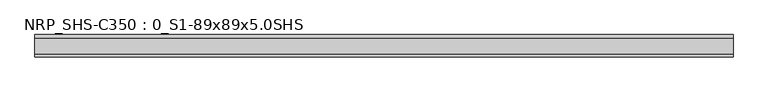
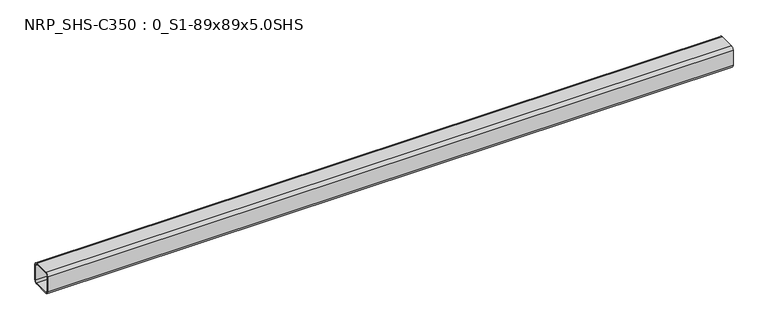
"""IFC4 building model written with IfcOpenShell, lengths in millimetres: beam geometry, NRP_SHS-C350 : 0_S1-89x89x5.0SHS."""

from ifc_helpers import new_model, si_unit, point, frame, frame_2d, origin, place, context, project, spatial, polyline, circle_curve, trimmed, segment, composite_curve, outline, extrude, source, transform, mapped, element, save


def nrp_shs_c350_0_s1_89x89x5_0shs_ee923856(model_context):
    return source(origin(), model_context, "Body", "SweptSolid", [
        extrude(outline(composite_curve([segment(polyline([(44.5, 32.0), (44.5, -32.0)]), True, "CONTINUOUS"), segment(trimmed(circle_curve(frame_2d((32.0, -32.0)), 12.5), [point((44.5, -32.0))], [point((32.0, -44.5))], False, "CARTESIAN"), True, "CONTINUOUS"), segment(polyline([(32.0, -44.5), (-32.0, -44.5)]), True, "CONTINUOUS"), segment(trimmed(circle_curve(frame_2d((-32.0, -32.0)), 12.5), [point((-32.0, -44.5))], [point((-44.5, -32.0))], False, "CARTESIAN"), True, "CONTINUOUS"), segment(polyline([(-44.5, -32.0), (-44.5, 32.0)]), True, "CONTINUOUS"), segment(trimmed(circle_curve(frame_2d((-32.0, 32.0)), 12.5), [point((-44.5, 32.0))], [point((-32.0, 44.5))], False, "CARTESIAN"), True, "CONTINUOUS"), segment(polyline([(-32.0, 44.5), (32.0, 44.5)]), True, "CONTINUOUS"), segment(trimmed(circle_curve(frame_2d((32.0, 32.0)), 12.5), [point((32.0, 44.5))], [point((44.5, 32.0))], False, "CARTESIAN"), True, "CONTINUOUS")], self_intersect=False), holes=[composite_curve([segment(trimmed(circle_curve(frame_2d((-32.0, 32.0)), 7.5), [point((-32.0, 39.5))], [point((-39.5, 32.0))], True, "CARTESIAN"), True, "CONTINUOUS"), segment(polyline([(-39.5, 32.0), (-39.5, -32.0)]), True, "CONTINUOUS"), segment(trimmed(circle_curve(frame_2d((-32.0, -32.0)), 7.5), [point((-39.5, -32.0))], [point((-32.0, -39.5))], True, "CARTESIAN"), True, "CONTINUOUS"), segment(polyline([(-32.0, -39.5), (32.0, -39.5)]), True, "CONTINUOUS"), segment(trimmed(circle_curve(frame_2d((32.0, -32.0)), 7.5), [point((32.0, -39.5))], [point((39.5, -32.0))], True, "CARTESIAN"), True, "CONTINUOUS"), segment(polyline([(39.5, -32.0), (39.5, 32.0)]), True, "CONTINUOUS"), segment(trimmed(circle_curve(frame_2d((32.0, 32.0)), 7.5), [point((39.5, 32.0))], [point((32.0, 39.5))], True, "CARTESIAN"), True, "CONTINUOUS"), segment(polyline([(32.0, 39.5), (-32.0, 39.5)]), True, "CONTINUOUS")], self_intersect=False)]), frame((-1379.5, 0.0, 0.0), z_axis=(1.0, 0.0, 0.0), x_axis=(0.0, 1.0, 0.0)), (0.0, 0.0, 1.0), 2774.0),
    ])


if __name__ == "__main__":
    model = new_model("IFC4")
    model_context = context("Model", 3, world=origin())
    ifc_project = project(units=[si_unit("LENGTHUNIT", "METRE", prefix="MILLI")], contexts=[model_context])
    site = spatial("IfcSite", under=ifc_project)
    building = spatial("IfcBuilding", under=site)
    placement = place(None, origin())
    nrp_shs_c350_0_s1_89x89x5_0shs_shape = nrp_shs_c350_0_s1_89x89x5_0shs_ee923856(model_context)
    element("IfcBeam", 1, ObjectType="NRP_SHS-C350 : 0_S1-89x89x5.0SHS", at=placement, inside=building, context=model_context, shape_type="MappedRepresentation", body=[
        mapped(nrp_shs_c350_0_s1_89x89x5_0shs_shape, transform((0.0, 0.0, 0.0), x_axis=(1.0, 0.0, 0.0), y_axis=(0.0, 1.0, 0.0), z_axis=(0.0, 0.0, 1.0))),
    ])
    save(model, "model.ifc")
